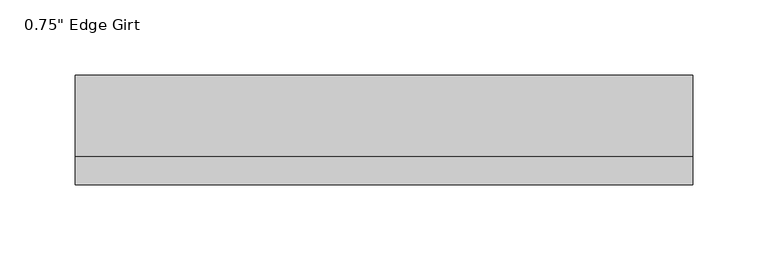
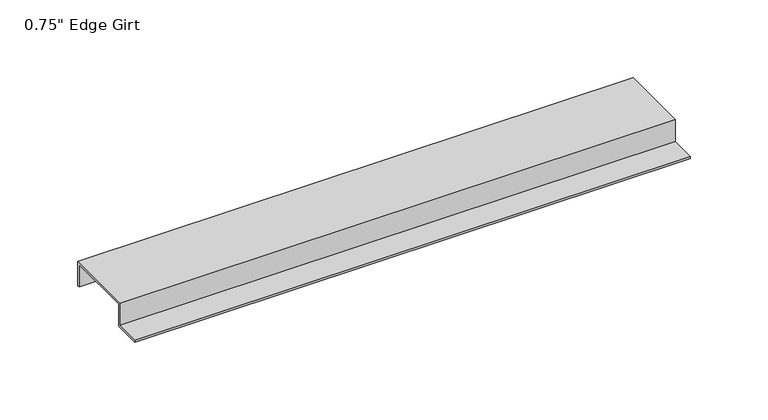
"""IFC4 building model written with IfcOpenShell, lengths in millimetres: proxy geometry."""

from ifc_helpers import new_model, si_unit, frame, origin, place, context, project, spatial, polyline, outline, extrude, source, transform, mapped, element, save


def proxy_6ae8a0ce(model_context):
    return source(origin(), model_context, "Body", "SweptSolid", [
        extrude(outline(polyline([(-46.0559645, -17.4375), (-46.0559645, -15.8242), (-27.0129, -15.8242), (-27.0129, 1.6129), (27.0129, 1.6129), (27.0129, -17.4375), (25.4, -17.4375), (25.4, 0.0), (-25.4, 0.0), (-25.4, -17.4375), (-46.0559645, -17.4375)])), frame((0.0, 0.0, 0.0), z_axis=(1.0, 0.0, 0.0), x_axis=(0.0, 1.0, 0.0)), (0.0, 0.0, 1.0), 411.941708),
    ])


if __name__ == "__main__":
    model = new_model("IFC4")
    model_context = context("Model", 3, world=origin())
    ifc_project = project(units=[si_unit("LENGTHUNIT", "METRE", prefix="MILLI")], contexts=[model_context])
    site = spatial("IfcSite", under=ifc_project)
    building = spatial("IfcBuilding", under=site)
    placement = place(None, origin())
    proxy_shape = proxy_6ae8a0ce(model_context)
    element("IfcBuildingElementProxy", 1, Name="0.75\" Edge Girt", ObjectType="0.75\" Edge Girt", at=placement, inside=building, context=model_context, shape_type="MappedRepresentation", body=[
        mapped(proxy_shape, transform((0.0, 0.0, 0.0), x_axis=(1.0, 0.0, 0.0), y_axis=(0.0, 1.0, 0.0), z_axis=(0.0, 0.0, 1.0))),
    ])
    save(model, "model.ifc")
